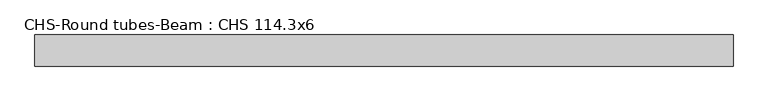
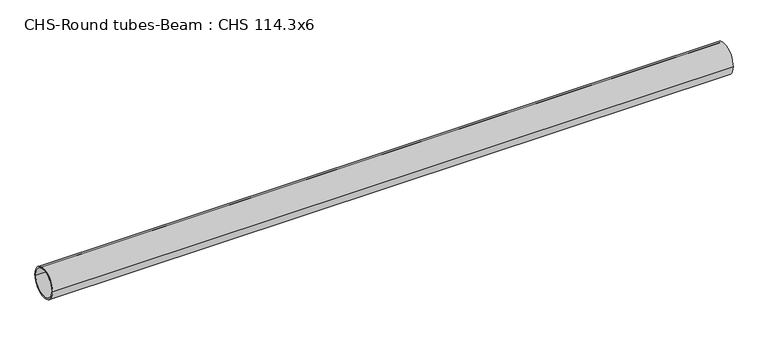
"""IFC4 building model written with IfcOpenShell, lengths in millimetres: beam geometry, CHS-Round tubes-Beam : CHS 114.3x6."""

import ifcopenshell
import ifcopenshell.guid

model = None  # the IFC model being written
_history = None  # IfcOwnerHistory: only IFC2X3 demands one
_inside = {}  # id of a spatial element -> (the spatial element, [elements in it])
_under = {}  # id of a project, library or spatial element -> (it, [spatial elements below it])
_declared = {}  # id of a project -> (the project, [libraries it declares])
_typed = {}  # id of a type object -> (the type object, [elements of that type])
_made_of = {}  # id of a material, layer set ... -> (it, [elements and type objects made of it])


def new_model(schema):
    """Start an empty IFC model of exactly this schema.

    Asked for "IFC4X3", IfcOpenShell would pick the latest addendum, in which some entities
    have other attributes; the version numbers below select the first issue.
    IFC2X3 requires an IfcOwnerHistory on every rooted entity: one is made here for all.
    """
    global model, _history
    if schema == "IFC4X3":
        model = ifcopenshell.file(schema_version=(4, 3, 0, 0))
    else:
        model = ifcopenshell.file(schema=schema)
    _inside.clear()
    _under.clear()
    _declared.clear()
    _typed.clear()
    _made_of.clear()
    _history = None
    if model.schema == "IFC2X3":
        org = make("IfcOrganization", Name="unknown")
        user = make(
            "IfcPersonAndOrganization",
            ThePerson=make("IfcPerson", FamilyName="unknown"),
            TheOrganization=org,
        )
        app = make(
            "IfcApplication",
            ApplicationDeveloper=org,
            Version="unknown",
            ApplicationFullName="unknown",
            ApplicationIdentifier="unknown",
        )
        _history = make(
            "IfcOwnerHistory",
            OwningUser=user,
            OwningApplication=app,
            ChangeAction="ADDED",
            CreationDate=0,
        )
    return model


def make(cls, **values):
    """One entity of the class cls with the attributes given. An attribute that is None is left unset."""
    return model.create_entity(
        cls, **{name: value for name, value in values.items() if value is not None}
    )


def rooted(cls, **values):
    """An entity with a GlobalId (a new one), such as an element, a storey or a relation."""
    return make(cls, GlobalId=ifcopenshell.guid.new(), OwnerHistory=_history, **values)


def si_unit(unit_type, name, prefix=None):
    """IfcSIUnit, for example si_unit("LENGTHUNIT", "METRE", prefix="MILLI")."""
    return make("IfcSIUnit", UnitType=unit_type, Prefix=prefix, Name=name)


def assignment(units):
    """IfcUnitAssignment: the units of a project."""
    return None if units is None else make("IfcUnitAssignment", Units=units)


def point(xyz):
    """IfcCartesianPoint."""
    return None if xyz is None else make("IfcCartesianPoint", Coordinates=xyz)


def direction(xyz):
    """IfcDirection."""
    return None if xyz is None else make("IfcDirection", DirectionRatios=xyz)


def frame(location, z_axis=None, x_axis=None):
    """IfcAxis2Placement3D, a coordinate frame: its origin and axes. An axis left out is left unset."""
    return make(
        "IfcAxis2Placement3D",
        Location=point(location),
        Axis=direction(z_axis),
        RefDirection=direction(x_axis),
    )


def frame_2d(location, x_axis=None):
    """IfcAxis2Placement2D, a coordinate frame in the plane: its origin and x axis."""
    return make(
        "IfcAxis2Placement2D", Location=point(location), RefDirection=direction(x_axis)
    )


def origin():
    """The frame at (0, 0, 0) with its axes left unset."""
    return frame((0.0, 0.0, 0.0))


def origin_2d():
    """The frame at (0, 0) in the plane with its x axis left unset."""
    return frame_2d((0.0, 0.0))


def place(relative_to, where):
    """IfcLocalPlacement: puts the frame where relative to a parent placement (None: the world)."""
    return make(
        "IfcLocalPlacement", PlacementRelTo=relative_to, RelativePlacement=where
    )


def context(
    kind, dimensions, precision=None, world=None, true_north=None, identifier=None
):
    """IfcGeometricRepresentationContext, for example the 3D "Model" context."""
    return make(
        "IfcGeometricRepresentationContext",
        ContextIdentifier=identifier,
        ContextType=kind,
        CoordinateSpaceDimension=dimensions,
        Precision=precision,
        WorldCoordinateSystem=world,
        TrueNorth=true_north,
    )


def project(units=None, contexts=None):
    """IfcProject with its units and contexts."""
    return rooted(
        "IfcProject",
        Name="project",
        RepresentationContexts=contexts,
        UnitsInContext=assignment(units),
    )


def spatial(cls, under=None, at=None, **own):
    """A site, building, storey or space (cls), placed at a placement, below another one or the project."""
    s = rooted(cls, ObjectPlacement=at, **own)
    if under is not None:
        _under.setdefault(under.id(), (under, []))[1].append(s)
    return s


def circle_curve(where, radius):
    """IfcCircle in the frame where."""
    return make("IfcCircle", Position=where, Radius=radius)


def trimmed(basis, trim1, trim2, sense, master):
    """IfcTrimmedCurve: the piece of a basis curve between two trims."""
    return make(
        "IfcTrimmedCurve",
        BasisCurve=basis,
        Trim1=trim1,
        Trim2=trim2,
        SenseAgreement=sense,
        MasterRepresentation=master,
    )


def segment(curve, same_sense, transition):
    """IfcCompositeCurveSegment."""
    return make(
        "IfcCompositeCurveSegment",
        Transition=transition,
        SameSense=same_sense,
        ParentCurve=curve,
    )


def composite_curve(segments, self_intersect=None):
    """IfcCompositeCurve: segments joined end to end."""
    return make("IfcCompositeCurve", Segments=segments, SelfIntersect=self_intersect)


def outline(outer, holes=None, kind="AREA"):
    """IfcArbitraryClosedProfileDef: a profile drawn as a closed curve; with holes, ...WithVoids."""
    if holes is None:
        return make("IfcArbitraryClosedProfileDef", ProfileType=kind, OuterCurve=outer)
    return make(
        "IfcArbitraryProfileDefWithVoids",
        ProfileType=kind,
        OuterCurve=outer,
        InnerCurves=holes,
    )


def extrude(swept, where, along, depth):
    """IfcExtrudedAreaSolid: the profile swept, set in the frame where, extruded along a direction by depth."""
    return make(
        "IfcExtrudedAreaSolid",
        SweptArea=swept,
        Position=where,
        ExtrudedDirection=direction(along),
        Depth=depth,
    )


def shape(context_of_items, identifier, shape_type, items):
    """IfcShapeRepresentation: the items that make up one representation, for example the "Body"."""
    return make(
        "IfcShapeRepresentation",
        ContextOfItems=context_of_items,
        RepresentationIdentifier=identifier,
        RepresentationType=shape_type,
        Items=items,
    )


def source(mapping_origin, context_of_items, identifier, shape_type, items):
    """IfcRepresentationMap: a shape defined once, which mapped items show again and again."""
    return make(
        "IfcRepresentationMap",
        MappingOrigin=mapping_origin,
        MappedRepresentation=shape(context_of_items, identifier, shape_type, items),
    )


def transform(
    local_origin,
    x_axis=None,
    y_axis=None,
    z_axis=None,
    scale=None,
    scale2=None,
    scale3=None,
    uniform=True,
):
    """IfcCartesianTransformationOperator3D, or its non-uniform kind. x_axis, y_axis, z_axis: its Axis1, 2, 3."""
    if uniform:
        return make(
            "IfcCartesianTransformationOperator3D",
            Axis1=direction(x_axis),
            Axis2=direction(y_axis),
            LocalOrigin=point(local_origin),
            Scale=scale,
            Axis3=direction(z_axis),
        )
    return make(
        "IfcCartesianTransformationOperator3DnonUniform",
        Axis1=direction(x_axis),
        Axis2=direction(y_axis),
        LocalOrigin=point(local_origin),
        Scale=scale,
        Axis3=direction(z_axis),
        Scale2=scale2,
        Scale3=scale3,
    )


def mapped(mapping_source, mapping_target):
    """IfcMappedItem: shows the shape of a source again, moved by a transform."""
    return make(
        "IfcMappedItem", MappingSource=mapping_source, MappingTarget=mapping_target
    )


def made_of(thing, what):
    """Note that an element or type object is made of a material, layer set ...; save() writes the relation."""
    if what is not None:
        _made_of.setdefault(what.id(), (what, []))[1].append(thing)
    return thing


def element(
    cls,
    number,
    at=None,
    inside=None,
    cuts=None,
    type_object=None,
    material=None,
    context=None,
    identifier="Body",
    shape_type=None,
    held_by="IfcProductDefinitionShape",
    body=None,
    shapes=None,
    **own,
):
    """One element of the class cls, such as IfcWall. Its Tag is "e" and its number.

    at: its placement. inside: the storey or other place that contains it. cuts: it is an
    opening in that element (IfcRelVoidsElement). A single representation is given by context,
    identifier, shape_type and body (its items); several are given by shapes. held_by: the class
    of the entity that holds the representations. save() writes the other relations.
    """
    e = rooted(cls, Tag="e%d" % number, ObjectPlacement=at, **own)
    if body is not None:
        shapes = [shape(context, identifier, shape_type, body)]
    if shapes is not None:
        e.Representation = make(held_by, Representations=shapes)
    if inside is not None:
        _inside.setdefault(inside.id(), (inside, []))[1].append(e)
    if cuts is not None:
        rooted(
            "IfcRelVoidsElement", RelatingBuildingElement=cuts, RelatedOpeningElement=e
        )
    if type_object is not None:
        _typed.setdefault(type_object.id(), (type_object, []))[1].append(e)
    return made_of(e, material)


def aggregate(whole, parts):
    """IfcRelAggregates: a whole, such as a stair, and the parts it consists of."""
    return rooted("IfcRelAggregates", RelatingObject=whole, RelatedObjects=parts)


def save(model, path):
    """Write the relations noted so far, then the file.

    IfcRelAggregates (storeys below a building ...), IfcRelContainedInSpatialStructure (elements
    in a storey), IfcRelDefinesByType, IfcRelAssociatesMaterial and IfcRelDeclares: one each for
    every whole, place, type object, material and project.
    """
    for whole, parts in _under.values():
        aggregate(whole, parts)
    for where, things in _inside.values():
        rooted(
            "IfcRelContainedInSpatialStructure",
            RelatedElements=things,
            RelatingStructure=where,
        )
    for kind, things in _typed.values():
        rooted("IfcRelDefinesByType", RelatedObjects=things, RelatingType=kind)
    for what, things in _made_of.values():
        rooted("IfcRelAssociatesMaterial", RelatedObjects=things, RelatingMaterial=what)
    for by, libraries in _declared.values():
        rooted("IfcRelDeclares", RelatingContext=by, RelatedDefinitions=libraries)
    model.write(path)


def chs_round_tubes_beam_chs_114_3x6_effe1899(model_context):
    return source(origin(), model_context, "Body", "SweptSolid", [
        extrude(outline(composite_curve([segment(trimmed(circle_curve(origin_2d(), 57.15), [point((57.15, 0.0))], [point((-57.15, 0.0))], False, "CARTESIAN"), True, "CONTINUOUS"), segment(trimmed(circle_curve(origin_2d(), 57.15), [point((-57.15, 0.0))], [point((57.15, 0.0))], False, "CARTESIAN"), True, "CONTINUOUS")], self_intersect=False), holes=[composite_curve([segment(trimmed(circle_curve(origin_2d(), 51.15), [point((51.15, 0.0))], [point((-51.15, 0.0))], True, "CARTESIAN"), True, "CONTINUOUS"), segment(trimmed(circle_curve(origin_2d(), 51.15), [point((-51.15, 0.0))], [point((51.15, 0.0))], True, "CARTESIAN"), True, "CONTINUOUS")], self_intersect=False)]), frame((-1224.7386353, 0.0, 0.0), z_axis=(1.0, 0.0, 0.0), x_axis=(0.0, 1.0, 0.0)), (0.0, 0.0, 1.0), 2560.2172703),
    ])


if __name__ == "__main__":
    model = new_model("IFC4")
    model_context = context("Model", 3, world=origin())
    ifc_project = project(units=[si_unit("LENGTHUNIT", "METRE", prefix="MILLI")], contexts=[model_context])
    site = spatial("IfcSite", under=ifc_project)
    building = spatial("IfcBuilding", under=site)
    placement = place(None, origin())
    chs_round_tubes_beam_chs_114_3x6_shape = chs_round_tubes_beam_chs_114_3x6_effe1899(model_context)
    element("IfcBeam", 1, ObjectType="CHS-Round tubes-Beam : CHS 114.3x6", at=placement, inside=building, context=model_context, shape_type="MappedRepresentation", body=[
        mapped(chs_round_tubes_beam_chs_114_3x6_shape, transform((0.0, 0.0, 0.0), x_axis=(1.0, 0.0, 0.0), y_axis=(0.0, 1.0, 0.0), z_axis=(0.0, 0.0, 1.0))),
    ])
    save(model, "model.ifc")
